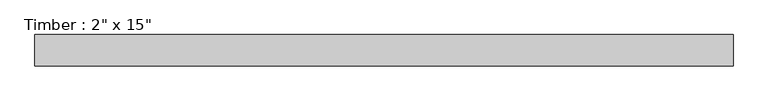
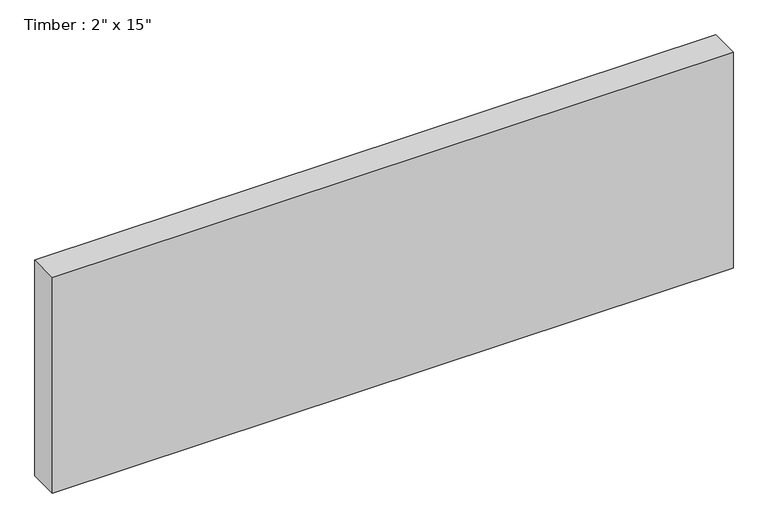
"""IFC4 building model written with IfcOpenShell, lengths in millimetres: beam geometry."""

from ifc_helpers import new_model, si_unit, frame, origin, place, context, project, spatial, polyline, outline, extrude, source, transform, mapped, element, save


def beam_eeda4699(model_context):
    return source(origin(), model_context, "Body", "SweptSolid", [
        extrude(outline(polyline([(568.325, 25.4), (568.325, -25.4), (-568.325, -25.4), (-568.325, 25.4), (568.325, 25.4)])), frame((0.0, 0.0, -190.5), z_axis=(0.0, 0.0, 1.0), x_axis=(1.0, 0.0, 0.0)), (0.0, 0.0, 1.0), 381.0),
    ])


if __name__ == "__main__":
    model = new_model("IFC4")
    model_context = context("Model", 3, world=origin())
    ifc_project = project(units=[si_unit("LENGTHUNIT", "METRE", prefix="MILLI")], contexts=[model_context])
    site = spatial("IfcSite", under=ifc_project)
    building = spatial("IfcBuilding", under=site)
    placement = place(None, origin())
    beam_shape = beam_eeda4699(model_context)
    element("IfcBeam", 1, ObjectType="Timber : 2\" x 15\"", at=placement, inside=building, context=model_context, shape_type="MappedRepresentation", body=[
        mapped(beam_shape, transform((0.0, 0.0, 0.0), x_axis=(1.0, 0.0, 0.0), y_axis=(0.0, 1.0, 0.0), z_axis=(0.0, 0.0, 1.0))),
    ])
    save(model, "model.ifc")
